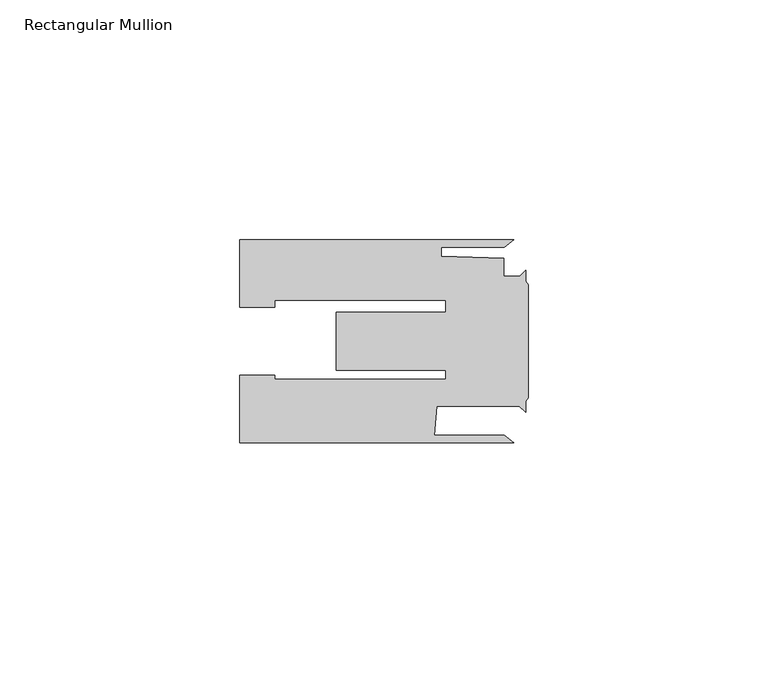
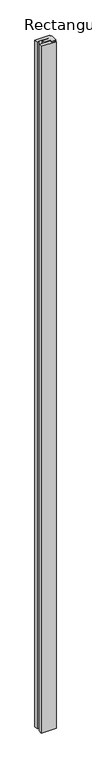
"""IFC4 building model written with IfcOpenShell, lengths in millimetres: member geometry, Rectangular Mullion."""

import ifcopenshell
import ifcopenshell.guid

model = None  # the IFC model being written
_history = None  # IfcOwnerHistory: only IFC2X3 demands one
_inside = {}  # id of a spatial element -> (the spatial element, [elements in it])
_under = {}  # id of a project, library or spatial element -> (it, [spatial elements below it])
_declared = {}  # id of a project -> (the project, [libraries it declares])
_typed = {}  # id of a type object -> (the type object, [elements of that type])
_made_of = {}  # id of a material, layer set ... -> (it, [elements and type objects made of it])


def new_model(schema):
    """Start an empty IFC model of exactly this schema.

    Asked for "IFC4X3", IfcOpenShell would pick the latest addendum, in which some entities
    have other attributes; the version numbers below select the first issue.
    IFC2X3 requires an IfcOwnerHistory on every rooted entity: one is made here for all.
    """
    global model, _history
    if schema == "IFC4X3":
        model = ifcopenshell.file(schema_version=(4, 3, 0, 0))
    else:
        model = ifcopenshell.file(schema=schema)
    _inside.clear()
    _under.clear()
    _declared.clear()
    _typed.clear()
    _made_of.clear()
    _history = None
    if model.schema == "IFC2X3":
        org = make("IfcOrganization", Name="unknown")
        user = make(
            "IfcPersonAndOrganization",
            ThePerson=make("IfcPerson", FamilyName="unknown"),
            TheOrganization=org,
        )
        app = make(
            "IfcApplication",
            ApplicationDeveloper=org,
            Version="unknown",
            ApplicationFullName="unknown",
            ApplicationIdentifier="unknown",
        )
        _history = make(
            "IfcOwnerHistory",
            OwningUser=user,
            OwningApplication=app,
            ChangeAction="ADDED",
            CreationDate=0,
        )
    return model


def make(cls, **values):
    """One entity of the class cls with the attributes given. An attribute that is None is left unset."""
    return model.create_entity(
        cls, **{name: value for name, value in values.items() if value is not None}
    )


def rooted(cls, **values):
    """An entity with a GlobalId (a new one), such as an element, a storey or a relation."""
    return make(cls, GlobalId=ifcopenshell.guid.new(), OwnerHistory=_history, **values)


def si_unit(unit_type, name, prefix=None):
    """IfcSIUnit, for example si_unit("LENGTHUNIT", "METRE", prefix="MILLI")."""
    return make("IfcSIUnit", UnitType=unit_type, Prefix=prefix, Name=name)


def assignment(units):
    """IfcUnitAssignment: the units of a project."""
    return None if units is None else make("IfcUnitAssignment", Units=units)


def point(xyz):
    """IfcCartesianPoint."""
    return None if xyz is None else make("IfcCartesianPoint", Coordinates=xyz)


def direction(xyz):
    """IfcDirection."""
    return None if xyz is None else make("IfcDirection", DirectionRatios=xyz)


def frame(location, z_axis=None, x_axis=None):
    """IfcAxis2Placement3D, a coordinate frame: its origin and axes. An axis left out is left unset."""
    return make(
        "IfcAxis2Placement3D",
        Location=point(location),
        Axis=direction(z_axis),
        RefDirection=direction(x_axis),
    )


def origin():
    """The frame at (0, 0, 0) with its axes left unset."""
    return frame((0.0, 0.0, 0.0))


def place(relative_to, where):
    """IfcLocalPlacement: puts the frame where relative to a parent placement (None: the world)."""
    return make(
        "IfcLocalPlacement", PlacementRelTo=relative_to, RelativePlacement=where
    )


def context(
    kind, dimensions, precision=None, world=None, true_north=None, identifier=None
):
    """IfcGeometricRepresentationContext, for example the 3D "Model" context."""
    return make(
        "IfcGeometricRepresentationContext",
        ContextIdentifier=identifier,
        ContextType=kind,
        CoordinateSpaceDimension=dimensions,
        Precision=precision,
        WorldCoordinateSystem=world,
        TrueNorth=true_north,
    )


def project(units=None, contexts=None):
    """IfcProject with its units and contexts."""
    return rooted(
        "IfcProject",
        Name="project",
        RepresentationContexts=contexts,
        UnitsInContext=assignment(units),
    )


def spatial(cls, under=None, at=None, **own):
    """A site, building, storey or space (cls), placed at a placement, below another one or the project."""
    s = rooted(cls, ObjectPlacement=at, **own)
    if under is not None:
        _under.setdefault(under.id(), (under, []))[1].append(s)
    return s


def polyline(points):
    """IfcPolyline through the points."""
    return make("IfcPolyline", Points=[point(p) for p in points])


def outline(outer, holes=None, kind="AREA"):
    """IfcArbitraryClosedProfileDef: a profile drawn as a closed curve; with holes, ...WithVoids."""
    if holes is None:
        return make("IfcArbitraryClosedProfileDef", ProfileType=kind, OuterCurve=outer)
    return make(
        "IfcArbitraryProfileDefWithVoids",
        ProfileType=kind,
        OuterCurve=outer,
        InnerCurves=holes,
    )


def extrude(swept, where, along, depth):
    """IfcExtrudedAreaSolid: the profile swept, set in the frame where, extruded along a direction by depth."""
    return make(
        "IfcExtrudedAreaSolid",
        SweptArea=swept,
        Position=where,
        ExtrudedDirection=direction(along),
        Depth=depth,
    )


def shape(context_of_items, identifier, shape_type, items):
    """IfcShapeRepresentation: the items that make up one representation, for example the "Body"."""
    return make(
        "IfcShapeRepresentation",
        ContextOfItems=context_of_items,
        RepresentationIdentifier=identifier,
        RepresentationType=shape_type,
        Items=items,
    )


def source(mapping_origin, context_of_items, identifier, shape_type, items):
    """IfcRepresentationMap: a shape defined once, which mapped items show again and again."""
    return make(
        "IfcRepresentationMap",
        MappingOrigin=mapping_origin,
        MappedRepresentation=shape(context_of_items, identifier, shape_type, items),
    )


def transform(
    local_origin,
    x_axis=None,
    y_axis=None,
    z_axis=None,
    scale=None,
    scale2=None,
    scale3=None,
    uniform=True,
):
    """IfcCartesianTransformationOperator3D, or its non-uniform kind. x_axis, y_axis, z_axis: its Axis1, 2, 3."""
    if uniform:
        return make(
            "IfcCartesianTransformationOperator3D",
            Axis1=direction(x_axis),
            Axis2=direction(y_axis),
            LocalOrigin=point(local_origin),
            Scale=scale,
            Axis3=direction(z_axis),
        )
    return make(
        "IfcCartesianTransformationOperator3DnonUniform",
        Axis1=direction(x_axis),
        Axis2=direction(y_axis),
        LocalOrigin=point(local_origin),
        Scale=scale,
        Axis3=direction(z_axis),
        Scale2=scale2,
        Scale3=scale3,
    )


def mapped(mapping_source, mapping_target):
    """IfcMappedItem: shows the shape of a source again, moved by a transform."""
    return make(
        "IfcMappedItem", MappingSource=mapping_source, MappingTarget=mapping_target
    )


def made_of(thing, what):
    """Note that an element or type object is made of a material, layer set ...; save() writes the relation."""
    if what is not None:
        _made_of.setdefault(what.id(), (what, []))[1].append(thing)
    return thing


def element(
    cls,
    number,
    at=None,
    inside=None,
    cuts=None,
    type_object=None,
    material=None,
    context=None,
    identifier="Body",
    shape_type=None,
    held_by="IfcProductDefinitionShape",
    body=None,
    shapes=None,
    **own,
):
    """One element of the class cls, such as IfcWall. Its Tag is "e" and its number.

    at: its placement. inside: the storey or other place that contains it. cuts: it is an
    opening in that element (IfcRelVoidsElement). A single representation is given by context,
    identifier, shape_type and body (its items); several are given by shapes. held_by: the class
    of the entity that holds the representations. save() writes the other relations.
    """
    e = rooted(cls, Tag="e%d" % number, ObjectPlacement=at, **own)
    if body is not None:
        shapes = [shape(context, identifier, shape_type, body)]
    if shapes is not None:
        e.Representation = make(held_by, Representations=shapes)
    if inside is not None:
        _inside.setdefault(inside.id(), (inside, []))[1].append(e)
    if cuts is not None:
        rooted(
            "IfcRelVoidsElement", RelatingBuildingElement=cuts, RelatedOpeningElement=e
        )
    if type_object is not None:
        _typed.setdefault(type_object.id(), (type_object, []))[1].append(e)
    return made_of(e, material)


def aggregate(whole, parts):
    """IfcRelAggregates: a whole, such as a stair, and the parts it consists of."""
    return rooted("IfcRelAggregates", RelatingObject=whole, RelatedObjects=parts)


def save(model, path):
    """Write the relations noted so far, then the file.

    IfcRelAggregates (storeys below a building ...), IfcRelContainedInSpatialStructure (elements
    in a storey), IfcRelDefinesByType, IfcRelAssociatesMaterial and IfcRelDeclares: one each for
    every whole, place, type object, material and project.
    """
    for whole, parts in _under.values():
        aggregate(whole, parts)
    for where, things in _inside.values():
        rooted(
            "IfcRelContainedInSpatialStructure",
            RelatedElements=things,
            RelatingStructure=where,
        )
    for kind, things in _typed.values():
        rooted("IfcRelDefinesByType", RelatedObjects=things, RelatingType=kind)
    for what, things in _made_of.values():
        rooted("IfcRelAssociatesMaterial", RelatedObjects=things, RelatingMaterial=what)
    for by, libraries in _declared.values():
        rooted("IfcRelDeclares", RelatingContext=by, RelatedDefinitions=libraries)
    model.write(path)


def rectangular_mullion_496b5417(model_context):
    return source(origin(), model_context, "Body", "SweptSolid", [
        extrude(outline(polyline([(-4.9978403, -19.6), (-3.0070335, -21.1001806), (-60.0000904, -21.1001806), (-60.0000904, -7.1002443), (-52.8000904, -7.1002443), (-52.8000904, -7.9321779), (-17.1741363, -7.9321779), (-17.1741363, -5.9999784), (-40.0, -5.9999784), (-40.0, 6.0000216), (-17.1741363, 6.0000216), (-17.1741363, 8.4998194), (-52.8000904, 8.4998194), (-52.8000904, 7.100122), (-60.0000904, 7.100122), (-60.0000904, 21.0998194), (-3.0009095, 21.0998194), (-4.9914767, 19.5998194), (-18.0673388, 19.5998194), (-18.0673388, 17.7540666), (-5.0673388, 17.2543129), (-5.0673388, 13.4993684), (-1.7475919, 13.4993684), (-0.4974673, 14.749493), (-0.4974673, 12.4556178), (0.0, 11.7495144), (0.0, -11.7503396), (-0.4974673, -12.4565458), (-0.4974673, -14.750507), (-1.7752574, -13.5003396), (-19.0000553, -13.5003396), (-19.5000405, -19.6), (-4.9978403, -19.6)])), frame((0.0, 0.0, -2767.4354105), z_axis=(0.0, 0.0, 1.0), x_axis=(1.0, 0.0, 0.0)), (0.0, 0.0, 1.0), 2767.4354105),
    ])


if __name__ == "__main__":
    model = new_model("IFC4")
    model_context = context("Model", 3, world=origin())
    ifc_project = project(units=[si_unit("LENGTHUNIT", "METRE", prefix="MILLI")], contexts=[model_context])
    site = spatial("IfcSite", under=ifc_project)
    building = spatial("IfcBuilding", under=site)
    placement = place(None, origin())
    rectangular_mullion_shape = rectangular_mullion_496b5417(model_context)
    element("IfcMember", 1, ObjectType="Rectangular Mullion", at=placement, inside=building, context=model_context, shape_type="MappedRepresentation", body=[
        mapped(rectangular_mullion_shape, transform((0.0, 0.0, 0.0), x_axis=(1.0, 0.0, 0.0), y_axis=(0.0, 1.0, 0.0), z_axis=(0.0, 0.0, 1.0))),
    ])
    save(model, "model.ifc")
